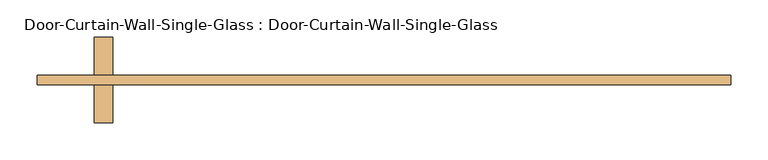
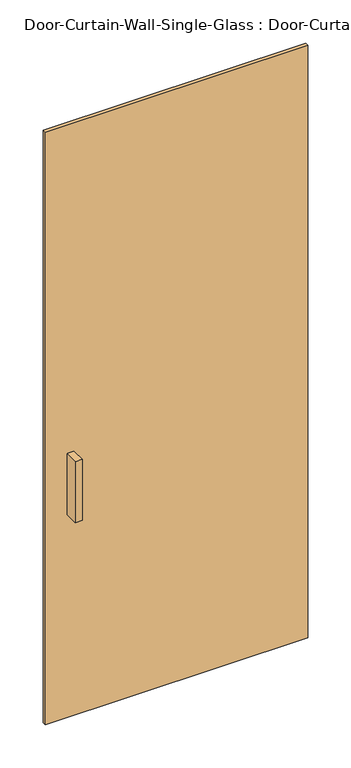
"""IFC4 building model written with IfcOpenShell, lengths in millimetres: door geometry, Door-Curtain-Wall-Single-Glass : Door-Curtain-Wall-Single-Glass."""

from ifc_helpers import new_model, si_unit, frame, origin, origin_with_axes, place, context, project, spatial, polyline, outline, extrude, source, transform, mapped, element, save


def door_curtain_wall_single_glass_door_curtain_wall_single_87999ea9(model_context):
    return source(origin(), model_context, "Body", "SweptSolid", [
        extrude(outline(polyline([(465.3318917, -50.8), (-465.3318917, -50.8), (-465.3318917, -38.1), (465.3318917, -38.1), (465.3318917, -50.8)])), origin_with_axes(), (0.0, 0.0, 1.0), 2221.4321157),
        extrude(outline(polyline([(-363.7318917, 12.7), (-363.7318917, -38.1), (-389.1318917, -38.1), (-389.1318917, 12.7), (-363.7318917, 12.7)])), frame((0.0, 0.0, 762.0), z_axis=(0.0, 0.0, 1.0), x_axis=(1.0, 0.0, 0.0)), (0.0, 0.0, 1.0), 228.6),
        extrude(outline(polyline([(-389.1318917, -101.6), (-389.1318917, -50.8), (-363.7318917, -50.8), (-363.7318917, -101.6), (-389.1318917, -101.6)])), frame((0.0, 0.0, 762.0), z_axis=(0.0, 0.0, 1.0), x_axis=(1.0, 0.0, 0.0)), (0.0, 0.0, 1.0), 228.6),
    ])


if __name__ == "__main__":
    model = new_model("IFC4")
    model_context = context("Model", 3, world=origin())
    ifc_project = project(units=[si_unit("LENGTHUNIT", "METRE", prefix="MILLI")], contexts=[model_context])
    site = spatial("IfcSite", under=ifc_project)
    building = spatial("IfcBuilding", under=site)
    placement = place(None, origin())
    door_curtain_wall_single_glass_door_curtain_wall_single_shape = door_curtain_wall_single_glass_door_curtain_wall_single_87999ea9(model_context)
    element("IfcDoor", 1, ObjectType="Door-Curtain-Wall-Single-Glass : Door-Curtain-Wall-Single-Glass", at=placement, inside=building, context=model_context, shape_type="MappedRepresentation", body=[
        mapped(door_curtain_wall_single_glass_door_curtain_wall_single_shape, transform((0.0, 0.0, 0.0), x_axis=(1.0, 0.0, 0.0), y_axis=(0.0, 1.0, 0.0), z_axis=(0.0, 0.0, 1.0))),
    ])
    save(model, "model.ifc")
